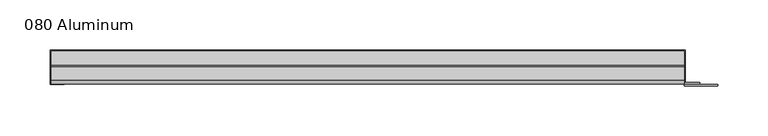
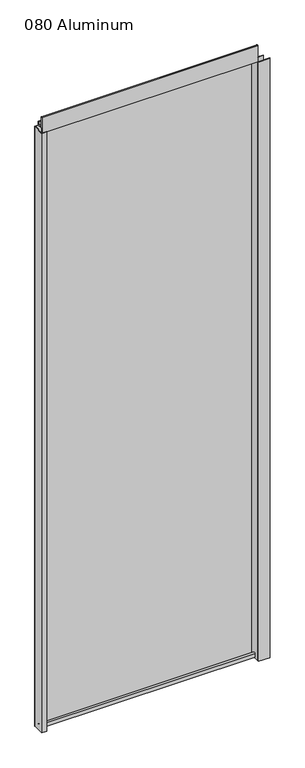
"""IFC4 building model written with IfcOpenShell, lengths in millimetres: plate geometry, 080 Aluminum."""

from ifc_helpers import new_model, si_unit, point, frame, frame_2d, origin, origin_with_axes, place, context, project, spatial, polyline, circle_curve, trimmed, segment, composite_curve, outline, extrude, source, transform, mapped, element, save


def plate_080_aluminum_ccf7bcb6(model_context):
    return source(origin(), model_context, "Body", "SweptSolid", [
        extrude(outline(polyline([(-322.58, 2.5660257), (-309.6894994, 2.5660257), (-309.6894994, 1.2699999), (-323.8499999, 1.2699999), (-323.8499999, 34.7980001), (-322.58, 34.7980001), (-322.58, 2.5660257)])), origin_with_axes(), (0.0, 0.0, 1.0), 1852.93),
        extrude(outline(composite_curve([segment(trimmed(circle_curve(frame_2d((19.8514743, 13.124237)), 3.175), [point((16.6765477, 13.1458337))], [point((23.0264743, 13.124237))], False, "CARTESIAN"), True, "CONTINUOUS"), segment(polyline([(23.0264743, 13.124237), (23.0264743, 1.2693678), (34.7980002, 1.2693678), (34.7980002, 0.0), (21.7564743, 0.0), (21.7564743, 13.124237)]), True, "CONTINUOUS"), segment(trimmed(circle_curve(frame_2d((19.8514743, 13.124237)), 1.905), [point((21.7564743, 13.124237))], [point((17.9464915, 13.1323356))], True, "CARTESIAN"), True, "CONTINUOUS"), segment(polyline([(17.9464915, 13.1323356), (17.9464915, 2.786437), (16.6765477, 2.786437), (16.6765477, 13.1458337)]), True, "CONTINUOUS")], self_intersect=False)), frame((-322.58, 0.0, 0.0), z_axis=(1.0, 0.0, 0.0), x_axis=(0.0, 1.0, 0.0)), (0.0, 0.0, 1.0), 632.46),
        extrude(outline(composite_curve([segment(trimmed(circle_curve(frame_2d((3.7084742, 1901.3932001)), 1.6509999), [point((2.0574743, 1901.3932001))], [point((5.3594742, 1901.3932001))], False, "CARTESIAN"), True, "CONTINUOUS"), segment(polyline([(5.3594742, 1901.3932001), (5.3594742, 1868.17), (19.2164743, 1868.17), (19.2164743, 1878.2538), (20.4864742, 1878.2538), (20.4864742, 1866.9), (4.0894742, 1866.9), (4.0894742, 1901.3932001)]), True, "CONTINUOUS"), segment(trimmed(circle_curve(frame_2d((3.7084742, 1901.3932001)), 0.3809999), [point((4.0894742, 1901.3932001))], [point((3.3274743, 1901.3932001))], True, "CARTESIAN"), True, "CONTINUOUS"), segment(polyline([(3.3274743, 1901.3932001), (3.3274743, 1854.2000001), (34.7980002, 1854.2000001), (34.7980002, 1852.93), (2.0574743, 1852.93), (2.0574743, 1901.3932001)]), True, "CONTINUOUS")], self_intersect=False)), frame((-322.58, 0.0, 0.0), z_axis=(1.0, 0.0, 0.0), x_axis=(0.0, 1.0, 0.0)), (0.0, 0.0, 1.0), 632.46),
        extrude(outline(polyline([(-323.85, 36.068), (311.15, 36.068), (311.15, 34.7980001), (-323.85, 34.7980001), (-323.85, 36.068)])), origin_with_axes(), (0.0, 0.0, 1.0), 1854.2),
        extrude(outline(polyline([(311.15, 1.2699999), (343.6620856, 1.2699999), (343.6620856, 0.0), (309.8800001, 0.0), (309.8800001, 34.7980002), (311.15, 34.7980002), (311.15, 1.2699999)])), origin_with_axes(), (0.0, 0.0, 1.0), 1852.93),
        extrude(outline(polyline([(309.88, 3.3274743), (325.6279999, 3.3274743), (325.6279999, 2.0574743), (309.88, 2.0574743), (309.88, 3.3274743)])), origin_with_axes(), (0.0, 0.0, 1.0), 1866.9),
    ])


if __name__ == "__main__":
    model = new_model("IFC4")
    model_context = context("Model", 3, world=origin())
    ifc_project = project(units=[si_unit("LENGTHUNIT", "METRE", prefix="MILLI")], contexts=[model_context])
    site = spatial("IfcSite", under=ifc_project)
    building = spatial("IfcBuilding", under=site)
    placement = place(None, origin())
    plate_080_aluminum_shape = plate_080_aluminum_ccf7bcb6(model_context)
    element("IfcPlate", 1, ObjectType="080 Aluminum", at=placement, inside=building, context=model_context, shape_type="MappedRepresentation", body=[
        mapped(plate_080_aluminum_shape, transform((0.0, 0.0, 0.0), x_axis=(1.0, 0.0, 0.0), y_axis=(0.0, 1.0, 0.0), z_axis=(0.0, 0.0, 1.0))),
    ])
    save(model, "model.ifc")
